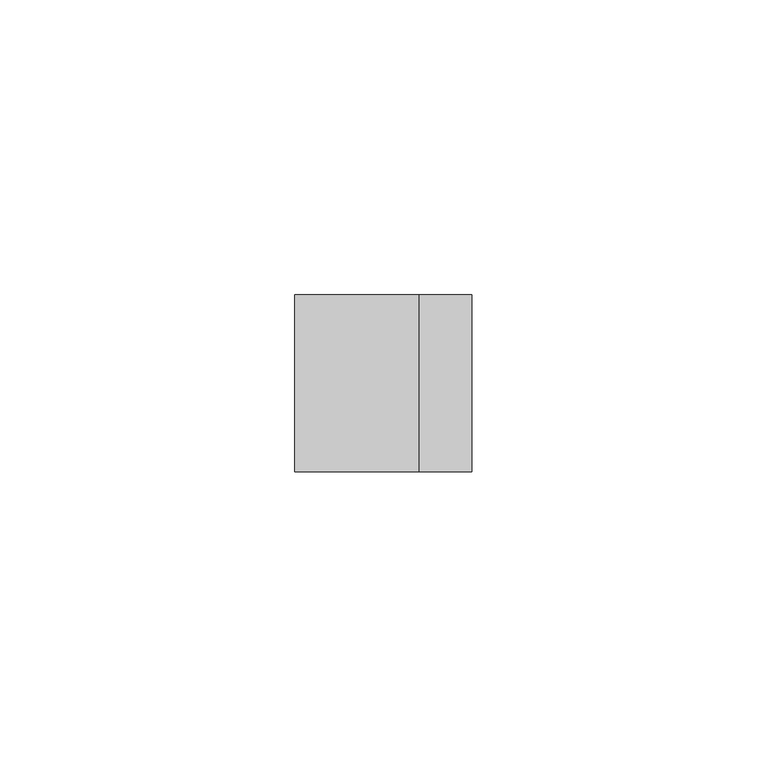
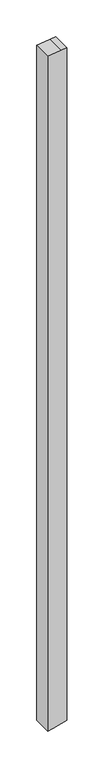
"""IFC4 building model written with IfcOpenShell, lengths in millimetres: member geometry."""

from ifc_helpers import new_model, si_unit, frame, origin, place, context, project, spatial, polyline, outline, extrude, source, transform, mapped, element, save


def member_2c9a64cf(model_context):
    return source(origin(), model_context, "Body", "SweptSolid", [
        extrude(outline(polyline([(-48.5433044, 15.0), (-49.6337196, 6.041016), (-52.1946624, -15.0), (-1173.8978161, -15.0), (-1171.612337, -6.4704761), (-1165.8593403, 15.0), (-48.5433044, 15.0)])), frame((0.0, -15.0, 0.0), z_axis=(0.0, 1.0, 0.0), x_axis=(0.0, 0.0, 1.0)), (0.0, 0.0, 1.0), 30.0),
    ])


if __name__ == "__main__":
    model = new_model("IFC4")
    model_context = context("Model", 3, world=origin())
    ifc_project = project(units=[si_unit("LENGTHUNIT", "METRE", prefix="MILLI")], contexts=[model_context])
    site = spatial("IfcSite", under=ifc_project)
    building = spatial("IfcBuilding", under=site)
    placement = place(None, origin())
    member_shape = member_2c9a64cf(model_context)
    element("IfcMember", 1, at=placement, inside=building, context=model_context, shape_type="MappedRepresentation", body=[
        mapped(member_shape, transform((0.0, 0.0, 0.0), x_axis=(1.0, 0.0, 0.0), y_axis=(0.0, 1.0, 0.0), z_axis=(0.0, 0.0, 1.0))),
    ])
    save(model, "model.ifc")
